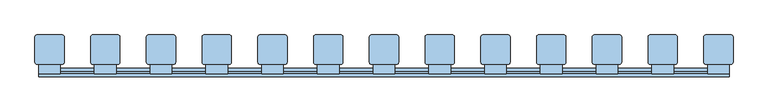
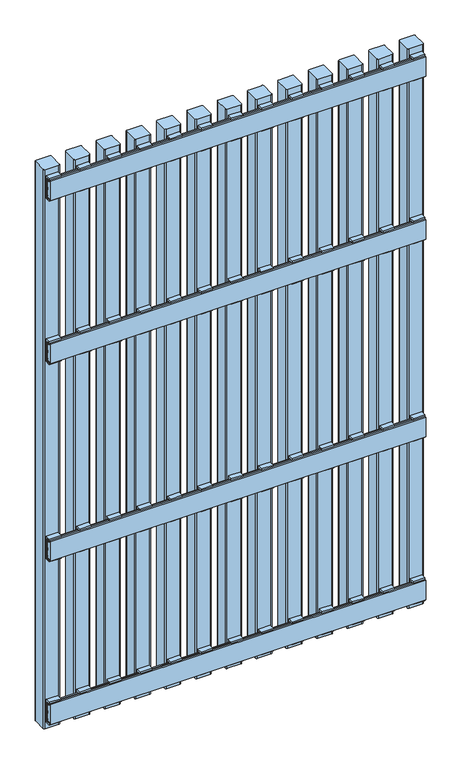
"""IFC4 building model written with IfcOpenShell, lengths in millimetres: window geometry."""

from ifc_helpers import new_model, si_unit, point, frame, frame_2d, origin, place, context, project, spatial, polyline, circle_curve, trimmed, segment, composite_curve, outline, extrude, source, transform, mapped, element, save


def window_e83e0a31(model_context):
    return source(origin(), model_context, "Body", "SweptSolid", [
        extrude(outline(polyline([(2.1, 1181.5936804), (-2.1, 1181.5936804), (-2.1, 1177.5936804), (-5.9, 1177.5936804), (-5.9, 1185.5), (8.0, 1185.5), (8.0, 1122.5), (-5.9, 1122.5), (-5.9, 1130.4063196), (-2.1, 1130.4063196), (-2.1, 1126.4063196), (2.1, 1126.4063196), (2.1, 1181.5936804)])), frame((384.5, 0.0, 0.0), z_axis=(1.0, 0.0, 0.0), x_axis=(0.0, 1.0, 0.0)), (0.0, 0.0, 1.0), 31.0),
        extrude(outline(polyline([(2.1, 631.5936804), (-2.1, 631.5936804), (-2.1, 627.5936804), (-5.9, 627.5936804), (-5.9, 635.5), (8.0, 635.5), (8.0, 572.5), (-5.9, 572.5), (-5.9, 580.4063196), (-2.1, 580.4063196), (-2.1, 576.4063196), (2.1, 576.4063196), (2.1, 631.5936804)])), frame((384.5, 0.0, 0.0), z_axis=(1.0, 0.0, 0.0), x_axis=(0.0, 1.0, 0.0)), (0.0, 0.0, 1.0), 31.0),
        extrude(outline(polyline([(2.1, 1580.9063196), (2.1, 1636.0936804), (-2.1, 1636.0936804), (-2.1, 1632.0936804), (-5.9, 1632.0936804), (-5.9, 1640.0), (8.0, 1640.0), (8.0, 1577.0), (-5.9, 1577.0), (-5.9, 1584.9063196), (-2.1, 1584.9063196), (-2.1, 1580.9063196), (2.1, 1580.9063196)])), frame((384.5, 0.0, 0.0), z_axis=(1.0, 0.0, 0.0), x_axis=(0.0, 1.0, 0.0)), (0.0, 0.0, 1.0), 31.0),
        extrude(outline(polyline([(2.1, 177.0936804), (-2.1, 177.0936804), (-2.1, 173.0936804), (-5.9, 173.0936804), (-5.9, 181.0), (8.0, 181.0), (8.0, 118.0), (-5.9, 118.0), (-5.9, 125.9063196), (-2.1, 125.9063196), (-2.1, 121.9063196), (2.1, 121.9063196), (2.1, 177.0936804)])), frame((384.5, 0.0, 0.0), z_axis=(1.0, 0.0, 0.0), x_axis=(0.0, 1.0, 0.0)), (0.0, 0.0, 1.0), 31.0),
        extrude(outline(polyline([(2.1, 1181.5936804), (-2.1, 1181.5936804), (-2.1, 1177.5936804), (-5.9, 1177.5936804), (-5.9, 1185.5), (8.0, 1185.5), (8.0, 1122.5), (-5.9, 1122.5), (-5.9, 1130.4063196), (-2.1, 1130.4063196), (-2.1, 1126.4063196), (2.1, 1126.4063196), (2.1, 1181.5936804)])), frame((304.5, 0.0, 0.0), z_axis=(1.0, 0.0, 0.0), x_axis=(0.0, 1.0, 0.0)), (0.0, 0.0, 1.0), 31.0),
        extrude(outline(polyline([(2.1, 631.5936804), (-2.1, 631.5936804), (-2.1, 627.5936804), (-5.9, 627.5936804), (-5.9, 635.5), (8.0, 635.5), (8.0, 572.5), (-5.9, 572.5), (-5.9, 580.4063196), (-2.1, 580.4063196), (-2.1, 576.4063196), (2.1, 576.4063196), (2.1, 631.5936804)])), frame((304.5, 0.0, 0.0), z_axis=(1.0, 0.0, 0.0), x_axis=(0.0, 1.0, 0.0)), (0.0, 0.0, 1.0), 31.0),
        extrude(outline(polyline([(2.1, 1580.9063196), (2.1, 1636.0936804), (-2.1, 1636.0936804), (-2.1, 1632.0936804), (-5.9, 1632.0936804), (-5.9, 1640.0), (8.0, 1640.0), (8.0, 1577.0), (-5.9, 1577.0), (-5.9, 1584.9063196), (-2.1, 1584.9063196), (-2.1, 1580.9063196), (2.1, 1580.9063196)])), frame((304.5, 0.0, 0.0), z_axis=(1.0, 0.0, 0.0), x_axis=(0.0, 1.0, 0.0)), (0.0, 0.0, 1.0), 31.0),
        extrude(outline(polyline([(2.1, 177.0936804), (-2.1, 177.0936804), (-2.1, 173.0936804), (-5.9, 173.0936804), (-5.9, 181.0), (8.0, 181.0), (8.0, 118.0), (-5.9, 118.0), (-5.9, 125.9063196), (-2.1, 125.9063196), (-2.1, 121.9063196), (2.1, 121.9063196), (2.1, 177.0936804)])), frame((304.5, 0.0, 0.0), z_axis=(1.0, 0.0, 0.0), x_axis=(0.0, 1.0, 0.0)), (0.0, 0.0, 1.0), 31.0),
        extrude(outline(polyline([(2.1, 1181.5936804), (-2.1, 1181.5936804), (-2.1, 1177.5936804), (-5.9, 1177.5936804), (-5.9, 1185.5), (8.0, 1185.5), (8.0, 1122.5), (-5.9, 1122.5), (-5.9, 1130.4063196), (-2.1, 1130.4063196), (-2.1, 1126.4063196), (2.1, 1126.4063196), (2.1, 1181.5936804)])), frame((224.5, 0.0, 0.0), z_axis=(1.0, 0.0, 0.0), x_axis=(0.0, 1.0, 0.0)), (0.0, 0.0, 1.0), 31.0),
        extrude(outline(polyline([(2.1, 631.5936804), (-2.1, 631.5936804), (-2.1, 627.5936804), (-5.9, 627.5936804), (-5.9, 635.5), (8.0, 635.5), (8.0, 572.5), (-5.9, 572.5), (-5.9, 580.4063196), (-2.1, 580.4063196), (-2.1, 576.4063196), (2.1, 576.4063196), (2.1, 631.5936804)])), frame((224.5, 0.0, 0.0), z_axis=(1.0, 0.0, 0.0), x_axis=(0.0, 1.0, 0.0)), (0.0, 0.0, 1.0), 31.0),
        extrude(outline(polyline([(2.1, 1580.9063196), (2.1, 1636.0936804), (-2.1, 1636.0936804), (-2.1, 1632.0936804), (-5.9, 1632.0936804), (-5.9, 1640.0), (8.0, 1640.0), (8.0, 1577.0), (-5.9, 1577.0), (-5.9, 1584.9063196), (-2.1, 1584.9063196), (-2.1, 1580.9063196), (2.1, 1580.9063196)])), frame((224.5, 0.0, 0.0), z_axis=(1.0, 0.0, 0.0), x_axis=(0.0, 1.0, 0.0)), (0.0, 0.0, 1.0), 31.0),
        extrude(outline(polyline([(2.1, 177.0936804), (-2.1, 177.0936804), (-2.1, 173.0936804), (-5.9, 173.0936804), (-5.9, 181.0), (8.0, 181.0), (8.0, 118.0), (-5.9, 118.0), (-5.9, 125.9063196), (-2.1, 125.9063196), (-2.1, 121.9063196), (2.1, 121.9063196), (2.1, 177.0936804)])), frame((224.5, 0.0, 0.0), z_axis=(1.0, 0.0, 0.0), x_axis=(0.0, 1.0, 0.0)), (0.0, 0.0, 1.0), 31.0),
        extrude(outline(polyline([(2.1, 1181.5936804), (-2.1, 1181.5936804), (-2.1, 1177.5936804), (-5.9, 1177.5936804), (-5.9, 1185.5), (8.0, 1185.5), (8.0, 1122.5), (-5.9, 1122.5), (-5.9, 1130.4063196), (-2.1, 1130.4063196), (-2.1, 1126.4063196), (2.1, 1126.4063196), (2.1, 1181.5936804)])), frame((144.5, 0.0, 0.0), z_axis=(1.0, 0.0, 0.0), x_axis=(0.0, 1.0, 0.0)), (0.0, 0.0, 1.0), 31.0),
        extrude(outline(polyline([(2.1, 631.5936804), (-2.1, 631.5936804), (-2.1, 627.5936804), (-5.9, 627.5936804), (-5.9, 635.5), (8.0, 635.5), (8.0, 572.5), (-5.9, 572.5), (-5.9, 580.4063196), (-2.1, 580.4063196), (-2.1, 576.4063196), (2.1, 576.4063196), (2.1, 631.5936804)])), frame((144.5, 0.0, 0.0), z_axis=(1.0, 0.0, 0.0), x_axis=(0.0, 1.0, 0.0)), (0.0, 0.0, 1.0), 31.0),
        extrude(outline(polyline([(2.1, 1580.9063196), (2.1, 1636.0936804), (-2.1, 1636.0936804), (-2.1, 1632.0936804), (-5.9, 1632.0936804), (-5.9, 1640.0), (8.0, 1640.0), (8.0, 1577.0), (-5.9, 1577.0), (-5.9, 1584.9063196), (-2.1, 1584.9063196), (-2.1, 1580.9063196), (2.1, 1580.9063196)])), frame((144.5, 0.0, 0.0), z_axis=(1.0, 0.0, 0.0), x_axis=(0.0, 1.0, 0.0)), (0.0, 0.0, 1.0), 31.0),
        extrude(outline(polyline([(2.1, 177.0936804), (-2.1, 177.0936804), (-2.1, 173.0936804), (-5.9, 173.0936804), (-5.9, 181.0), (8.0, 181.0), (8.0, 118.0), (-5.9, 118.0), (-5.9, 125.9063196), (-2.1, 125.9063196), (-2.1, 121.9063196), (2.1, 121.9063196), (2.1, 177.0936804)])), frame((144.5, 0.0, 0.0), z_axis=(1.0, 0.0, 0.0), x_axis=(0.0, 1.0, 0.0)), (0.0, 0.0, 1.0), 31.0),
        extrude(outline(polyline([(2.1, 1181.5936804), (-2.1, 1181.5936804), (-2.1, 1177.5936804), (-5.9, 1177.5936804), (-5.9, 1185.5), (8.0, 1185.5), (8.0, 1122.5), (-5.9, 1122.5), (-5.9, 1130.4063196), (-2.1, 1130.4063196), (-2.1, 1126.4063196), (2.1, 1126.4063196), (2.1, 1181.5936804)])), frame((64.5, 0.0, 0.0), z_axis=(1.0, 0.0, 0.0), x_axis=(0.0, 1.0, 0.0)), (0.0, 0.0, 1.0), 31.0),
        extrude(outline(polyline([(2.1, 631.5936804), (-2.1, 631.5936804), (-2.1, 627.5936804), (-5.9, 627.5936804), (-5.9, 635.5), (8.0, 635.5), (8.0, 572.5), (-5.9, 572.5), (-5.9, 580.4063196), (-2.1, 580.4063196), (-2.1, 576.4063196), (2.1, 576.4063196), (2.1, 631.5936804)])), frame((64.5, 0.0, 0.0), z_axis=(1.0, 0.0, 0.0), x_axis=(0.0, 1.0, 0.0)), (0.0, 0.0, 1.0), 31.0),
        extrude(outline(polyline([(2.1, 1580.9063196), (2.1, 1636.0936804), (-2.1, 1636.0936804), (-2.1, 1632.0936804), (-5.9, 1632.0936804), (-5.9, 1640.0), (8.0, 1640.0), (8.0, 1577.0), (-5.9, 1577.0), (-5.9, 1584.9063196), (-2.1, 1584.9063196), (-2.1, 1580.9063196), (2.1, 1580.9063196)])), frame((64.5, 0.0, 0.0), z_axis=(1.0, 0.0, 0.0), x_axis=(0.0, 1.0, 0.0)), (0.0, 0.0, 1.0), 31.0),
        extrude(outline(polyline([(2.1, 177.0936804), (-2.1, 177.0936804), (-2.1, 173.0936804), (-5.9, 173.0936804), (-5.9, 181.0), (8.0, 181.0), (8.0, 118.0), (-5.9, 118.0), (-5.9, 125.9063196), (-2.1, 125.9063196), (-2.1, 121.9063196), (2.1, 121.9063196), (2.1, 177.0936804)])), frame((64.5, 0.0, 0.0), z_axis=(1.0, 0.0, 0.0), x_axis=(0.0, 1.0, 0.0)), (0.0, 0.0, 1.0), 31.0),
        extrude(outline(polyline([(2.1, 1181.5936804), (-2.1, 1181.5936804), (-2.1, 1177.5936804), (-5.9, 1177.5936804), (-5.9, 1185.5), (8.0, 1185.5), (8.0, 1122.5), (-5.9, 1122.5), (-5.9, 1130.4063196), (-2.1, 1130.4063196), (-2.1, 1126.4063196), (2.1, 1126.4063196), (2.1, 1181.5936804)])), frame((-15.5, 0.0, 0.0), z_axis=(1.0, 0.0, 0.0), x_axis=(0.0, 1.0, 0.0)), (0.0, 0.0, 1.0), 31.0),
        extrude(outline(polyline([(2.1, 631.5936804), (-2.1, 631.5936804), (-2.1, 627.5936804), (-5.9, 627.5936804), (-5.9, 635.5), (8.0, 635.5), (8.0, 572.5), (-5.9, 572.5), (-5.9, 580.4063196), (-2.1, 580.4063196), (-2.1, 576.4063196), (2.1, 576.4063196), (2.1, 631.5936804)])), frame((-15.5, 0.0, 0.0), z_axis=(1.0, 0.0, 0.0), x_axis=(0.0, 1.0, 0.0)), (0.0, 0.0, 1.0), 31.0),
        extrude(outline(polyline([(2.1, 1580.9063196), (2.1, 1636.0936804), (-2.1, 1636.0936804), (-2.1, 1632.0936804), (-5.9, 1632.0936804), (-5.9, 1640.0), (8.0, 1640.0), (8.0, 1577.0), (-5.9, 1577.0), (-5.9, 1584.9063196), (-2.1, 1584.9063196), (-2.1, 1580.9063196), (2.1, 1580.9063196)])), frame((-15.5, 0.0, 0.0), z_axis=(1.0, 0.0, 0.0), x_axis=(0.0, 1.0, 0.0)), (0.0, 0.0, 1.0), 31.0),
        extrude(outline(polyline([(2.1, 177.0936804), (-2.1, 177.0936804), (-2.1, 173.0936804), (-5.9, 173.0936804), (-5.9, 181.0), (8.0, 181.0), (8.0, 118.0), (-5.9, 118.0), (-5.9, 125.9063196), (-2.1, 125.9063196), (-2.1, 121.9063196), (2.1, 121.9063196), (2.1, 177.0936804)])), frame((-15.5, 0.0, 0.0), z_axis=(1.0, 0.0, 0.0), x_axis=(0.0, 1.0, 0.0)), (0.0, 0.0, 1.0), 31.0),
        extrude(outline(polyline([(2.1, 1181.5936804), (-2.1, 1181.5936804), (-2.1, 1177.5936804), (-5.9, 1177.5936804), (-5.9, 1185.5), (8.0, 1185.5), (8.0, 1122.5), (-5.9, 1122.5), (-5.9, 1130.4063196), (-2.1, 1130.4063196), (-2.1, 1126.4063196), (2.1, 1126.4063196), (2.1, 1181.5936804)])), frame((-95.5, 0.0, 0.0), z_axis=(1.0, 0.0, 0.0), x_axis=(0.0, 1.0, 0.0)), (0.0, 0.0, 1.0), 31.0),
        extrude(outline(polyline([(2.1, 631.5936804), (-2.1, 631.5936804), (-2.1, 627.5936804), (-5.9, 627.5936804), (-5.9, 635.5), (8.0, 635.5), (8.0, 572.5), (-5.9, 572.5), (-5.9, 580.4063196), (-2.1, 580.4063196), (-2.1, 576.4063196), (2.1, 576.4063196), (2.1, 631.5936804)])), frame((-95.5, 0.0, 0.0), z_axis=(1.0, 0.0, 0.0), x_axis=(0.0, 1.0, 0.0)), (0.0, 0.0, 1.0), 31.0),
        extrude(outline(polyline([(2.1, 1580.9063196), (2.1, 1636.0936804), (-2.1, 1636.0936804), (-2.1, 1632.0936804), (-5.9, 1632.0936804), (-5.9, 1640.0), (8.0, 1640.0), (8.0, 1577.0), (-5.9, 1577.0), (-5.9, 1584.9063196), (-2.1, 1584.9063196), (-2.1, 1580.9063196), (2.1, 1580.9063196)])), frame((-95.5, 0.0, 0.0), z_axis=(1.0, 0.0, 0.0), x_axis=(0.0, 1.0, 0.0)), (0.0, 0.0, 1.0), 31.0),
        extrude(outline(polyline([(2.1, 177.0936804), (-2.1, 177.0936804), (-2.1, 173.0936804), (-5.9, 173.0936804), (-5.9, 181.0), (8.0, 181.0), (8.0, 118.0), (-5.9, 118.0), (-5.9, 125.9063196), (-2.1, 125.9063196), (-2.1, 121.9063196), (2.1, 121.9063196), (2.1, 177.0936804)])), frame((-95.5, 0.0, 0.0), z_axis=(1.0, 0.0, 0.0), x_axis=(0.0, 1.0, 0.0)), (0.0, 0.0, 1.0), 31.0),
        extrude(outline(polyline([(2.1, 1181.5936804), (-2.1, 1181.5936804), (-2.1, 1177.5936804), (-5.9, 1177.5936804), (-5.9, 1185.5), (8.0, 1185.5), (8.0, 1122.5), (-5.9, 1122.5), (-5.9, 1130.4063196), (-2.1, 1130.4063196), (-2.1, 1126.4063196), (2.1, 1126.4063196), (2.1, 1181.5936804)])), frame((-175.5, 0.0, 0.0), z_axis=(1.0, 0.0, 0.0), x_axis=(0.0, 1.0, 0.0)), (0.0, 0.0, 1.0), 31.0),
        extrude(outline(polyline([(2.1, 631.5936804), (-2.1, 631.5936804), (-2.1, 627.5936804), (-5.9, 627.5936804), (-5.9, 635.5), (8.0, 635.5), (8.0, 572.5), (-5.9, 572.5), (-5.9, 580.4063196), (-2.1, 580.4063196), (-2.1, 576.4063196), (2.1, 576.4063196), (2.1, 631.5936804)])), frame((-175.5, 0.0, 0.0), z_axis=(1.0, 0.0, 0.0), x_axis=(0.0, 1.0, 0.0)), (0.0, 0.0, 1.0), 31.0),
        extrude(outline(polyline([(2.1, 1580.9063196), (2.1, 1636.0936804), (-2.1, 1636.0936804), (-2.1, 1632.0936804), (-5.9, 1632.0936804), (-5.9, 1640.0), (8.0, 1640.0), (8.0, 1577.0), (-5.9, 1577.0), (-5.9, 1584.9063196), (-2.1, 1584.9063196), (-2.1, 1580.9063196), (2.1, 1580.9063196)])), frame((-175.5, 0.0, 0.0), z_axis=(1.0, 0.0, 0.0), x_axis=(0.0, 1.0, 0.0)), (0.0, 0.0, 1.0), 31.0),
        extrude(outline(polyline([(2.1, 177.0936804), (-2.1, 177.0936804), (-2.1, 173.0936804), (-5.9, 173.0936804), (-5.9, 181.0), (8.0, 181.0), (8.0, 118.0), (-5.9, 118.0), (-5.9, 125.9063196), (-2.1, 125.9063196), (-2.1, 121.9063196), (2.1, 121.9063196), (2.1, 177.0936804)])), frame((-175.5, 0.0, 0.0), z_axis=(1.0, 0.0, 0.0), x_axis=(0.0, 1.0, 0.0)), (0.0, 0.0, 1.0), 31.0),
        extrude(outline(polyline([(2.1, 1181.5936804), (-2.1, 1181.5936804), (-2.1, 1177.5936804), (-5.9, 1177.5936804), (-5.9, 1185.5), (8.0, 1185.5), (8.0, 1122.5), (-5.9, 1122.5), (-5.9, 1130.4063196), (-2.1, 1130.4063196), (-2.1, 1126.4063196), (2.1, 1126.4063196), (2.1, 1181.5936804)])), frame((-255.5, 0.0, 0.0), z_axis=(1.0, 0.0, 0.0), x_axis=(0.0, 1.0, 0.0)), (0.0, 0.0, 1.0), 31.0),
        extrude(outline(polyline([(2.1, 631.5936804), (-2.1, 631.5936804), (-2.1, 627.5936804), (-5.9, 627.5936804), (-5.9, 635.5), (8.0, 635.5), (8.0, 572.5), (-5.9, 572.5), (-5.9, 580.4063196), (-2.1, 580.4063196), (-2.1, 576.4063196), (2.1, 576.4063196), (2.1, 631.5936804)])), frame((-255.5, 0.0, 0.0), z_axis=(1.0, 0.0, 0.0), x_axis=(0.0, 1.0, 0.0)), (0.0, 0.0, 1.0), 31.0),
        extrude(outline(polyline([(2.1, 1580.9063196), (2.1, 1636.0936804), (-2.1, 1636.0936804), (-2.1, 1632.0936804), (-5.9, 1632.0936804), (-5.9, 1640.0), (8.0, 1640.0), (8.0, 1577.0), (-5.9, 1577.0), (-5.9, 1584.9063196), (-2.1, 1584.9063196), (-2.1, 1580.9063196), (2.1, 1580.9063196)])), frame((-255.5, 0.0, 0.0), z_axis=(1.0, 0.0, 0.0), x_axis=(0.0, 1.0, 0.0)), (0.0, 0.0, 1.0), 31.0),
        extrude(outline(polyline([(2.1, 177.0936804), (-2.1, 177.0936804), (-2.1, 173.0936804), (-5.9, 173.0936804), (-5.9, 181.0), (8.0, 181.0), (8.0, 118.0), (-5.9, 118.0), (-5.9, 125.9063196), (-2.1, 125.9063196), (-2.1, 121.9063196), (2.1, 121.9063196), (2.1, 177.0936804)])), frame((-255.5, 0.0, 0.0), z_axis=(1.0, 0.0, 0.0), x_axis=(0.0, 1.0, 0.0)), (0.0, 0.0, 1.0), 31.0),
        extrude(outline(polyline([(2.1, 1181.5936804), (-2.1, 1181.5936804), (-2.1, 1177.5936804), (-5.9, 1177.5936804), (-5.9, 1185.5), (8.0, 1185.5), (8.0, 1122.5), (-5.9, 1122.5), (-5.9, 1130.4063196), (-2.1, 1130.4063196), (-2.1, 1126.4063196), (2.1, 1126.4063196), (2.1, 1181.5936804)])), frame((-335.5, 0.0, 0.0), z_axis=(1.0, 0.0, 0.0), x_axis=(0.0, 1.0, 0.0)), (0.0, 0.0, 1.0), 31.0),
        extrude(outline(polyline([(2.1, 631.5936804), (-2.1, 631.5936804), (-2.1, 627.5936804), (-5.9, 627.5936804), (-5.9, 635.5), (8.0, 635.5), (8.0, 572.5), (-5.9, 572.5), (-5.9, 580.4063196), (-2.1, 580.4063196), (-2.1, 576.4063196), (2.1, 576.4063196), (2.1, 631.5936804)])), frame((-335.5, 0.0, 0.0), z_axis=(1.0, 0.0, 0.0), x_axis=(0.0, 1.0, 0.0)), (0.0, 0.0, 1.0), 31.0),
        extrude(outline(polyline([(2.1, 1580.9063196), (2.1, 1636.0936804), (-2.1, 1636.0936804), (-2.1, 1632.0936804), (-5.9, 1632.0936804), (-5.9, 1640.0), (8.0, 1640.0), (8.0, 1577.0), (-5.9, 1577.0), (-5.9, 1584.9063196), (-2.1, 1584.9063196), (-2.1, 1580.9063196), (2.1, 1580.9063196)])), frame((-335.5, 0.0, 0.0), z_axis=(1.0, 0.0, 0.0), x_axis=(0.0, 1.0, 0.0)), (0.0, 0.0, 1.0), 31.0),
        extrude(outline(polyline([(2.1, 177.0936804), (-2.1, 177.0936804), (-2.1, 173.0936804), (-5.9, 173.0936804), (-5.9, 181.0), (8.0, 181.0), (8.0, 118.0), (-5.9, 118.0), (-5.9, 125.9063196), (-2.1, 125.9063196), (-2.1, 121.9063196), (2.1, 121.9063196), (2.1, 177.0936804)])), frame((-335.5, 0.0, 0.0), z_axis=(1.0, 0.0, 0.0), x_axis=(0.0, 1.0, 0.0)), (0.0, 0.0, 1.0), 31.0),
        extrude(outline(polyline([(2.1, 1181.5936804), (-2.1, 1181.5936804), (-2.1, 1177.5936804), (-5.9, 1177.5936804), (-5.9, 1185.5), (8.0, 1185.5), (8.0, 1122.5), (-5.9, 1122.5), (-5.9, 1130.4063196), (-2.1, 1130.4063196), (-2.1, 1126.4063196), (2.1, 1126.4063196), (2.1, 1181.5936804)])), frame((-415.5, 0.0, 0.0), z_axis=(1.0, 0.0, 0.0), x_axis=(0.0, 1.0, 0.0)), (0.0, 0.0, 1.0), 31.0),
        extrude(outline(polyline([(2.1, 631.5936804), (-2.1, 631.5936804), (-2.1, 627.5936804), (-5.9, 627.5936804), (-5.9, 635.5), (8.0, 635.5), (8.0, 572.5), (-5.9, 572.5), (-5.9, 580.4063196), (-2.1, 580.4063196), (-2.1, 576.4063196), (2.1, 576.4063196), (2.1, 631.5936804)])), frame((-415.5, 0.0, 0.0), z_axis=(1.0, 0.0, 0.0), x_axis=(0.0, 1.0, 0.0)), (0.0, 0.0, 1.0), 31.0),
        extrude(outline(polyline([(2.1, 1580.9063196), (2.1, 1636.0936804), (-2.1, 1636.0936804), (-2.1, 1632.0936804), (-5.9, 1632.0936804), (-5.9, 1640.0), (8.0, 1640.0), (8.0, 1577.0), (-5.9, 1577.0), (-5.9, 1584.9063196), (-2.1, 1584.9063196), (-2.1, 1580.9063196), (2.1, 1580.9063196)])), frame((-415.5, 0.0, 0.0), z_axis=(1.0, 0.0, 0.0), x_axis=(0.0, 1.0, 0.0)), (0.0, 0.0, 1.0), 31.0),
        extrude(outline(polyline([(2.1, 177.0936804), (-2.1, 177.0936804), (-2.1, 173.0936804), (-5.9, 173.0936804), (-5.9, 181.0), (8.0, 181.0), (8.0, 118.0), (-5.9, 118.0), (-5.9, 125.9063196), (-2.1, 125.9063196), (-2.1, 121.9063196), (2.1, 121.9063196), (2.1, 177.0936804)])), frame((-415.5, 0.0, 0.0), z_axis=(1.0, 0.0, 0.0), x_axis=(0.0, 1.0, 0.0)), (0.0, 0.0, 1.0), 31.0),
        extrude(outline(polyline([(2.1, 1126.4063196), (2.1, 1181.5936804), (-2.1, 1181.5936804), (-2.1, 1177.5936804), (-5.9, 1177.5936804), (-5.9, 1185.5), (8.0, 1185.5), (8.0, 1122.5), (-5.9, 1122.5), (-5.9, 1130.4063196), (-2.1, 1130.4063196), (-2.1, 1126.4063196), (2.1, 1126.4063196)])), frame((464.5, 0.0, 0.0), z_axis=(1.0, 0.0, 0.0), x_axis=(0.0, 1.0, 0.0)), (0.0, 0.0, 1.0), 31.0),
        extrude(outline(polyline([(2.1, 576.4063196), (2.1, 631.5936804), (-2.1, 631.5936804), (-2.1, 627.5936804), (-5.9, 627.5936804), (-5.9, 635.5), (8.0, 635.5), (8.0, 572.5), (-5.9, 572.5), (-5.9, 580.4063196), (-2.1, 580.4063196), (-2.1, 576.4063196), (2.1, 576.4063196)])), frame((464.5, 0.0, 0.0), z_axis=(1.0, 0.0, 0.0), x_axis=(0.0, 1.0, 0.0)), (0.0, 0.0, 1.0), 31.0),
        extrude(outline(polyline([(2.1, 1580.9063196), (2.1, 1636.0936804), (-2.1, 1636.0936804), (-2.1, 1632.0936804), (-5.9, 1632.0936804), (-5.9, 1640.0), (8.0, 1640.0), (8.0, 1577.0), (-5.9, 1577.0), (-5.9, 1584.9063196), (-2.1, 1584.9063196), (-2.1, 1580.9063196), (2.1, 1580.9063196)])), frame((464.5, 0.0, 0.0), z_axis=(1.0, 0.0, 0.0), x_axis=(0.0, 1.0, 0.0)), (0.0, 0.0, 1.0), 31.0),
        extrude(outline(polyline([(2.1, 177.0936804), (-2.1, 177.0936804), (-2.1, 173.0936804), (-5.9, 173.0936804), (-5.9, 181.0), (8.0, 181.0), (8.0, 118.0), (-5.9, 118.0), (-5.9, 125.9063196), (-2.1, 125.9063196), (-2.1, 121.9063196), (2.1, 121.9063196), (2.1, 177.0936804)])), frame((464.5, 0.0, 0.0), z_axis=(1.0, 0.0, 0.0), x_axis=(0.0, 1.0, 0.0)), (0.0, 0.0, 1.0), 31.0),
        extrude(outline(polyline([(2.1, 1126.4063196), (2.1, 1181.5936804), (-2.1, 1181.5936804), (-2.1, 1177.5936804), (-5.9, 1177.5936804), (-5.9, 1185.5), (8.0, 1185.5), (8.0, 1122.5), (-5.9, 1122.5), (-5.9, 1130.4063196), (-2.1, 1130.4063196), (-2.1, 1126.4063196), (2.1, 1126.4063196)])), frame((-495.5, 0.0, 0.0), z_axis=(1.0, 0.0, 0.0), x_axis=(0.0, 1.0, 0.0)), (0.0, 0.0, 1.0), 31.0),
        extrude(outline(polyline([(2.1, 576.4063196), (2.1, 631.5936804), (-2.1, 631.5936804), (-2.1, 627.5936804), (-5.9, 627.5936804), (-5.9, 635.5), (8.0, 635.5), (8.0, 572.5), (-5.9, 572.5), (-5.9, 580.4063196), (-2.1, 580.4063196), (-2.1, 576.4063196), (2.1, 576.4063196)])), frame((-495.5, 0.0, 0.0), z_axis=(1.0, 0.0, 0.0), x_axis=(0.0, 1.0, 0.0)), (0.0, 0.0, 1.0), 31.0),
        extrude(outline(polyline([(2.1, 1580.9063196), (2.1, 1636.0936804), (-2.1, 1636.0936804), (-2.1, 1632.0936804), (-5.9, 1632.0936804), (-5.9, 1640.0), (8.0, 1640.0), (8.0, 1577.0), (-5.9, 1577.0), (-5.9, 1584.9063196), (-2.1, 1584.9063196), (-2.1, 1580.9063196), (2.1, 1580.9063196)])), frame((-495.5, 0.0, 0.0), z_axis=(1.0, 0.0, 0.0), x_axis=(0.0, 1.0, 0.0)), (0.0, 0.0, 1.0), 31.0),
        extrude(outline(polyline([(2.1, 177.0936804), (-2.1, 177.0936804), (-2.1, 173.0936804), (-5.9, 173.0936804), (-5.9, 181.0), (8.0, 181.0), (8.0, 118.0), (-5.9, 118.0), (-5.9, 125.9063196), (-2.1, 125.9063196), (-2.1, 121.9063196), (2.1, 121.9063196), (2.1, 177.0936804)])), frame((-495.5, 0.0, 0.0), z_axis=(1.0, 0.0, 0.0), x_axis=(0.0, 1.0, 0.0)), (0.0, 0.0, 1.0), 31.0),
        extrude(outline(polyline([(-10.0, 1181.5063196), (-6.0, 1181.5063196), (-6.0, 1177.5063196), (-2.0, 1177.5063196), (-2.0, 1181.5063196), (2.0, 1181.5063196), (2.0, 1176.5063196), (-1.0, 1176.5063196), (-1.0, 1171.5063196), (2.0, 1171.5063196), (2.0, 1159.0063196), (-1.0, 1159.0063196), (-1.0, 1149.0063196), (2.0, 1149.0063196), (2.0, 1136.5063196), (-1.0, 1136.5063196), (-1.0, 1131.5063196), (2.0, 1131.5063196), (2.0, 1126.5063196), (-2.0, 1126.5063196), (-2.0, 1130.5063196), (-6.0, 1130.5063196), (-6.0, 1126.5063196), (-10.0, 1126.5063196), (-10.0, 1181.5063196)])), frame((-495.5, 0.0, 0.0), z_axis=(1.0, 0.0, 0.0), x_axis=(0.0, 1.0, 0.0)), (0.0, 0.0, 1.0), 991.0),
        extrude(outline(polyline([(-10.0, 631.5063196), (-6.0, 631.5063196), (-6.0, 627.5063196), (-2.0, 627.5063196), (-2.0, 631.5063196), (2.0, 631.5063196), (2.0, 626.5063196), (-1.0, 626.5063196), (-1.0, 621.5063196), (2.0, 621.5063196), (2.0, 609.0063196), (-1.0, 609.0063196), (-1.0, 599.0063196), (2.0, 599.0063196), (2.0, 586.5063196), (-1.0, 586.5063196), (-1.0, 581.5063196), (2.0, 581.5063196), (2.0, 576.5063196), (-2.0, 576.5063196), (-2.0, 580.5063196), (-6.0, 580.5063196), (-6.0, 576.5063196), (-10.0, 576.5063196), (-10.0, 631.5063196)])), frame((-495.5, 0.0, 0.0), z_axis=(1.0, 0.0, 0.0), x_axis=(0.0, 1.0, 0.0)), (0.0, 0.0, 1.0), 991.0),
        extrude(outline(polyline([(-10.0, 1636.0), (-6.0, 1636.0), (-6.0, 1632.0), (-2.0, 1632.0), (-2.0, 1636.0), (2.0, 1636.0), (2.0, 1631.0), (-1.0, 1631.0), (-1.0, 1626.0), (2.0, 1626.0), (2.0, 1613.5), (-1.0, 1613.5), (-1.0, 1603.5), (2.0, 1603.5), (2.0, 1591.0), (-1.0, 1591.0), (-1.0, 1586.0), (2.0, 1586.0), (2.0, 1581.0), (-2.0, 1581.0), (-2.0, 1585.0), (-6.0, 1585.0), (-6.0, 1581.0), (-10.0, 1581.0), (-10.0, 1636.0)])), frame((-495.5, 0.0, 0.0), z_axis=(1.0, 0.0, 0.0), x_axis=(0.0, 1.0, 0.0)), (0.0, 0.0, 1.0), 991.0),
        extrude(outline(polyline([(-10.0, 177.0), (-6.0, 177.0), (-6.0, 173.0), (-2.0, 173.0), (-2.0, 177.0), (2.0, 177.0), (2.0, 172.0), (-1.0, 172.0), (-1.0, 167.0), (2.0, 167.0), (2.0, 154.5), (-1.0, 154.5), (-1.0, 144.5), (2.0, 144.5), (2.0, 132.0), (-1.0, 132.0), (-1.0, 127.0), (2.0, 127.0), (2.0, 122.0), (-2.0, 122.0), (-2.0, 126.0), (-6.0, 126.0), (-6.0, 122.0), (-10.0, 122.0), (-10.0, 177.0)])), frame((-495.5, 0.0, 0.0), z_axis=(1.0, 0.0, 0.0), x_axis=(0.0, 1.0, 0.0)), (0.0, 0.0, 1.0), 991.0),
        extrude(outline(composite_curve([segment(polyline([(500.995806, 47.0), (500.995806, 11.0)]), True, "CONTINUOUS"), segment(trimmed(circle_curve(frame_2d((497.995806, 11.0)), 3.0), [point((500.995806, 11.0))], [point((497.995806, 8.0))], False, "CARTESIAN"), True, "CONTINUOUS"), segment(polyline([(497.995806, 8.0), (461.995806, 8.0)]), True, "CONTINUOUS"), segment(trimmed(circle_curve(frame_2d((461.995806, 11.0)), 3.0), [point((461.995806, 8.0))], [point((458.995806, 11.0))], False, "CARTESIAN"), True, "CONTINUOUS"), segment(polyline([(458.995806, 11.0), (458.995806, 47.0)]), True, "CONTINUOUS"), segment(trimmed(circle_curve(frame_2d((461.995806, 47.0)), 3.0), [point((458.995806, 47.0))], [point((461.995806, 50.0))], False, "CARTESIAN"), True, "CONTINUOUS"), segment(polyline([(461.995806, 50.0), (497.995806, 50.0)]), True, "CONTINUOUS"), segment(trimmed(circle_curve(frame_2d((497.995806, 47.0)), 3.0), [point((497.995806, 50.0))], [point((500.995806, 47.0))], False, "CARTESIAN"), True, "CONTINUOUS")], self_intersect=False)), frame((0.0, 0.0, 100.0), z_axis=(0.0, 0.0, 1.0), x_axis=(1.0, 0.0, 0.0)), (0.0, 0.0, 1.0), 1558.0),
        extrude(outline(composite_curve([segment(polyline([(420.995806, 47.0), (420.995806, 11.0)]), True, "CONTINUOUS"), segment(trimmed(circle_curve(frame_2d((417.995806, 11.0)), 3.0), [point((420.995806, 11.0))], [point((417.995806, 8.0))], False, "CARTESIAN"), True, "CONTINUOUS"), segment(polyline([(417.995806, 8.0), (381.995806, 8.0)]), True, "CONTINUOUS"), segment(trimmed(circle_curve(frame_2d((381.995806, 11.0)), 3.0), [point((381.995806, 8.0))], [point((378.995806, 11.0))], False, "CARTESIAN"), True, "CONTINUOUS"), segment(polyline([(378.995806, 11.0), (378.995806, 47.0)]), True, "CONTINUOUS"), segment(trimmed(circle_curve(frame_2d((381.995806, 47.0)), 3.0), [point((378.995806, 47.0))], [point((381.995806, 50.0))], False, "CARTESIAN"), True, "CONTINUOUS"), segment(polyline([(381.995806, 50.0), (417.995806, 50.0)]), True, "CONTINUOUS"), segment(trimmed(circle_curve(frame_2d((417.995806, 47.0)), 3.0), [point((417.995806, 50.0))], [point((420.995806, 47.0))], False, "CARTESIAN"), True, "CONTINUOUS")], self_intersect=False)), frame((0.0, 0.0, 100.0), z_axis=(0.0, 0.0, 1.0), x_axis=(1.0, 0.0, 0.0)), (0.0, 0.0, 1.0), 1558.0),
        extrude(outline(composite_curve([segment(polyline([(340.995806, 47.0), (340.995806, 11.0)]), True, "CONTINUOUS"), segment(trimmed(circle_curve(frame_2d((337.995806, 11.0)), 3.0), [point((340.995806, 11.0))], [point((337.995806, 8.0))], False, "CARTESIAN"), True, "CONTINUOUS"), segment(polyline([(337.995806, 8.0), (301.995806, 8.0)]), True, "CONTINUOUS"), segment(trimmed(circle_curve(frame_2d((301.995806, 11.0)), 3.0), [point((301.995806, 8.0))], [point((298.995806, 11.0))], False, "CARTESIAN"), True, "CONTINUOUS"), segment(polyline([(298.995806, 11.0), (298.995806, 47.0)]), True, "CONTINUOUS"), segment(trimmed(circle_curve(frame_2d((301.995806, 47.0)), 3.0), [point((298.995806, 47.0))], [point((301.995806, 50.0))], False, "CARTESIAN"), True, "CONTINUOUS"), segment(polyline([(301.995806, 50.0), (337.995806, 50.0)]), True, "CONTINUOUS"), segment(trimmed(circle_curve(frame_2d((337.995806, 47.0)), 3.0), [point((337.995806, 50.0))], [point((340.995806, 47.0))], False, "CARTESIAN"), True, "CONTINUOUS")], self_intersect=False)), frame((0.0, 0.0, 100.0), z_axis=(0.0, 0.0, 1.0), x_axis=(1.0, 0.0, 0.0)), (0.0, 0.0, 1.0), 1558.0),
        extrude(outline(composite_curve([segment(polyline([(260.995806, 47.0), (260.995806, 11.0)]), True, "CONTINUOUS"), segment(trimmed(circle_curve(frame_2d((257.995806, 11.0)), 3.0), [point((260.995806, 11.0))], [point((257.995806, 8.0))], False, "CARTESIAN"), True, "CONTINUOUS"), segment(polyline([(257.995806, 8.0), (221.995806, 8.0)]), True, "CONTINUOUS"), segment(trimmed(circle_curve(frame_2d((221.995806, 11.0)), 3.0), [point((221.995806, 8.0))], [point((218.995806, 11.0))], False, "CARTESIAN"), True, "CONTINUOUS"), segment(polyline([(218.995806, 11.0), (218.995806, 47.0)]), True, "CONTINUOUS"), segment(trimmed(circle_curve(frame_2d((221.995806, 47.0)), 3.0), [point((218.995806, 47.0))], [point((221.995806, 50.0))], False, "CARTESIAN"), True, "CONTINUOUS"), segment(polyline([(221.995806, 50.0), (257.995806, 50.0)]), True, "CONTINUOUS"), segment(trimmed(circle_curve(frame_2d((257.995806, 47.0)), 3.0), [point((257.995806, 50.0))], [point((260.995806, 47.0))], False, "CARTESIAN"), True, "CONTINUOUS")], self_intersect=False)), frame((0.0, 0.0, 100.0), z_axis=(0.0, 0.0, 1.0), x_axis=(1.0, 0.0, 0.0)), (0.0, 0.0, 1.0), 1558.0),
        extrude(outline(composite_curve([segment(polyline([(180.995806, 47.0), (180.995806, 11.0)]), True, "CONTINUOUS"), segment(trimmed(circle_curve(frame_2d((177.995806, 11.0)), 3.0), [point((180.995806, 11.0))], [point((177.995806, 8.0))], False, "CARTESIAN"), True, "CONTINUOUS"), segment(polyline([(177.995806, 8.0), (141.995806, 8.0)]), True, "CONTINUOUS"), segment(trimmed(circle_curve(frame_2d((141.995806, 11.0)), 3.0), [point((141.995806, 8.0))], [point((138.995806, 11.0))], False, "CARTESIAN"), True, "CONTINUOUS"), segment(polyline([(138.995806, 11.0), (138.995806, 47.0)]), True, "CONTINUOUS"), segment(trimmed(circle_curve(frame_2d((141.995806, 47.0)), 3.0), [point((138.995806, 47.0))], [point((141.995806, 50.0))], False, "CARTESIAN"), True, "CONTINUOUS"), segment(polyline([(141.995806, 50.0), (177.995806, 50.0)]), True, "CONTINUOUS"), segment(trimmed(circle_curve(frame_2d((177.995806, 47.0)), 3.0), [point((177.995806, 50.0))], [point((180.995806, 47.0))], False, "CARTESIAN"), True, "CONTINUOUS")], self_intersect=False)), frame((0.0, 0.0, 100.0), z_axis=(0.0, 0.0, 1.0), x_axis=(1.0, 0.0, 0.0)), (0.0, 0.0, 1.0), 1558.0),
        extrude(outline(composite_curve([segment(polyline([(100.995806, 47.0), (100.995806, 11.0)]), True, "CONTINUOUS"), segment(trimmed(circle_curve(frame_2d((97.995806, 11.0)), 3.0), [point((100.995806, 11.0))], [point((97.995806, 8.0))], False, "CARTESIAN"), True, "CONTINUOUS"), segment(polyline([(97.995806, 8.0), (61.995806, 8.0)]), True, "CONTINUOUS"), segment(trimmed(circle_curve(frame_2d((61.995806, 11.0)), 3.0), [point((61.995806, 8.0))], [point((58.995806, 11.0))], False, "CARTESIAN"), True, "CONTINUOUS"), segment(polyline([(58.995806, 11.0), (58.995806, 47.0)]), True, "CONTINUOUS"), segment(trimmed(circle_curve(frame_2d((61.995806, 47.0)), 3.0), [point((58.995806, 47.0))], [point((61.995806, 50.0))], False, "CARTESIAN"), True, "CONTINUOUS"), segment(polyline([(61.995806, 50.0), (97.995806, 50.0)]), True, "CONTINUOUS"), segment(trimmed(circle_curve(frame_2d((97.995806, 47.0)), 3.0), [point((97.995806, 50.0))], [point((100.995806, 47.0))], False, "CARTESIAN"), True, "CONTINUOUS")], self_intersect=False)), frame((0.0, 0.0, 100.0), z_axis=(0.0, 0.0, 1.0), x_axis=(1.0, 0.0, 0.0)), (0.0, 0.0, 1.0), 1558.0),
        extrude(outline(composite_curve([segment(polyline([(20.995806, 47.0), (20.995806, 11.0)]), True, "CONTINUOUS"), segment(trimmed(circle_curve(frame_2d((17.995806, 11.0)), 3.0), [point((20.995806, 11.0))], [point((17.995806, 8.0))], False, "CARTESIAN"), True, "CONTINUOUS"), segment(polyline([(17.995806, 8.0), (-18.004194, 8.0)]), True, "CONTINUOUS"), segment(trimmed(circle_curve(frame_2d((-18.004194, 11.0)), 3.0), [point((-18.004194, 8.0))], [point((-21.004194, 11.0))], False, "CARTESIAN"), True, "CONTINUOUS"), segment(polyline([(-21.004194, 11.0), (-21.004194, 47.0)]), True, "CONTINUOUS"), segment(trimmed(circle_curve(frame_2d((-18.004194, 47.0)), 3.0), [point((-21.004194, 47.0))], [point((-18.004194, 50.0))], False, "CARTESIAN"), True, "CONTINUOUS"), segment(polyline([(-18.004194, 50.0), (17.995806, 50.0)]), True, "CONTINUOUS"), segment(trimmed(circle_curve(frame_2d((17.995806, 47.0)), 3.0), [point((17.995806, 50.0))], [point((20.995806, 47.0))], False, "CARTESIAN"), True, "CONTINUOUS")], self_intersect=False)), frame((0.0, 0.0, 100.0), z_axis=(0.0, 0.0, 1.0), x_axis=(1.0, 0.0, 0.0)), (0.0, 0.0, 1.0), 1558.0),
        extrude(outline(composite_curve([segment(polyline([(-59.004194, 47.0), (-59.004194, 11.0)]), True, "CONTINUOUS"), segment(trimmed(circle_curve(frame_2d((-62.004194, 11.0)), 3.0), [point((-59.004194, 11.0))], [point((-62.004194, 8.0))], False, "CARTESIAN"), True, "CONTINUOUS"), segment(polyline([(-62.004194, 8.0), (-98.004194, 8.0)]), True, "CONTINUOUS"), segment(trimmed(circle_curve(frame_2d((-98.004194, 11.0)), 3.0), [point((-98.004194, 8.0))], [point((-101.004194, 11.0))], False, "CARTESIAN"), True, "CONTINUOUS"), segment(polyline([(-101.004194, 11.0), (-101.004194, 47.0)]), True, "CONTINUOUS"), segment(trimmed(circle_curve(frame_2d((-98.004194, 47.0)), 3.0), [point((-101.004194, 47.0))], [point((-98.004194, 50.0))], False, "CARTESIAN"), True, "CONTINUOUS"), segment(polyline([(-98.004194, 50.0), (-62.004194, 50.0)]), True, "CONTINUOUS"), segment(trimmed(circle_curve(frame_2d((-62.004194, 47.0)), 3.0), [point((-62.004194, 50.0))], [point((-59.004194, 47.0))], False, "CARTESIAN"), True, "CONTINUOUS")], self_intersect=False)), frame((0.0, 0.0, 100.0), z_axis=(0.0, 0.0, 1.0), x_axis=(1.0, 0.0, 0.0)), (0.0, 0.0, 1.0), 1558.0),
        extrude(outline(composite_curve([segment(polyline([(-139.004194, 47.0), (-139.004194, 11.0)]), True, "CONTINUOUS"), segment(trimmed(circle_curve(frame_2d((-142.004194, 11.0)), 3.0), [point((-139.004194, 11.0))], [point((-142.004194, 8.0))], False, "CARTESIAN"), True, "CONTINUOUS"), segment(polyline([(-142.004194, 8.0), (-178.004194, 8.0)]), True, "CONTINUOUS"), segment(trimmed(circle_curve(frame_2d((-178.004194, 11.0)), 3.0), [point((-178.004194, 8.0))], [point((-181.004194, 11.0))], False, "CARTESIAN"), True, "CONTINUOUS"), segment(polyline([(-181.004194, 11.0), (-181.004194, 47.0)]), True, "CONTINUOUS"), segment(trimmed(circle_curve(frame_2d((-178.004194, 47.0)), 3.0), [point((-181.004194, 47.0))], [point((-178.004194, 50.0))], False, "CARTESIAN"), True, "CONTINUOUS"), segment(polyline([(-178.004194, 50.0), (-142.004194, 50.0)]), True, "CONTINUOUS"), segment(trimmed(circle_curve(frame_2d((-142.004194, 47.0)), 3.0), [point((-142.004194, 50.0))], [point((-139.004194, 47.0))], False, "CARTESIAN"), True, "CONTINUOUS")], self_intersect=False)), frame((0.0, 0.0, 100.0), z_axis=(0.0, 0.0, 1.0), x_axis=(1.0, 0.0, 0.0)), (0.0, 0.0, 1.0), 1558.0),
        extrude(outline(composite_curve([segment(polyline([(-219.004194, 47.0), (-219.004194, 11.0)]), True, "CONTINUOUS"), segment(trimmed(circle_curve(frame_2d((-222.004194, 11.0)), 3.0), [point((-219.004194, 11.0))], [point((-222.004194, 8.0))], False, "CARTESIAN"), True, "CONTINUOUS"), segment(polyline([(-222.004194, 8.0), (-258.004194, 8.0)]), True, "CONTINUOUS"), segment(trimmed(circle_curve(frame_2d((-258.004194, 11.0)), 3.0), [point((-258.004194, 8.0))], [point((-261.004194, 11.0))], False, "CARTESIAN"), True, "CONTINUOUS"), segment(polyline([(-261.004194, 11.0), (-261.004194, 47.0)]), True, "CONTINUOUS"), segment(trimmed(circle_curve(frame_2d((-258.004194, 47.0)), 3.0), [point((-261.004194, 47.0))], [point((-258.004194, 50.0))], False, "CARTESIAN"), True, "CONTINUOUS"), segment(polyline([(-258.004194, 50.0), (-222.004194, 50.0)]), True, "CONTINUOUS"), segment(trimmed(circle_curve(frame_2d((-222.004194, 47.0)), 3.0), [point((-222.004194, 50.0))], [point((-219.004194, 47.0))], False, "CARTESIAN"), True, "CONTINUOUS")], self_intersect=False)), frame((0.0, 0.0, 100.0), z_axis=(0.0, 0.0, 1.0), x_axis=(1.0, 0.0, 0.0)), (0.0, 0.0, 1.0), 1558.0),
        extrude(outline(composite_curve([segment(polyline([(-299.004194, 47.0), (-299.004194, 11.0)]), True, "CONTINUOUS"), segment(trimmed(circle_curve(frame_2d((-302.004194, 11.0)), 3.0), [point((-299.004194, 11.0))], [point((-302.004194, 8.0))], False, "CARTESIAN"), True, "CONTINUOUS"), segment(polyline([(-302.004194, 8.0), (-338.004194, 8.0)]), True, "CONTINUOUS"), segment(trimmed(circle_curve(frame_2d((-338.004194, 11.0)), 3.0), [point((-338.004194, 8.0))], [point((-341.004194, 11.0))], False, "CARTESIAN"), True, "CONTINUOUS"), segment(polyline([(-341.004194, 11.0), (-341.004194, 47.0)]), True, "CONTINUOUS"), segment(trimmed(circle_curve(frame_2d((-338.004194, 47.0)), 3.0), [point((-341.004194, 47.0))], [point((-338.004194, 50.0))], False, "CARTESIAN"), True, "CONTINUOUS"), segment(polyline([(-338.004194, 50.0), (-302.004194, 50.0)]), True, "CONTINUOUS"), segment(trimmed(circle_curve(frame_2d((-302.004194, 47.0)), 3.0), [point((-302.004194, 50.0))], [point((-299.004194, 47.0))], False, "CARTESIAN"), True, "CONTINUOUS")], self_intersect=False)), frame((0.0, 0.0, 100.0), z_axis=(0.0, 0.0, 1.0), x_axis=(1.0, 0.0, 0.0)), (0.0, 0.0, 1.0), 1558.0),
        extrude(outline(composite_curve([segment(polyline([(-379.004194, 47.0), (-379.004194, 11.0)]), True, "CONTINUOUS"), segment(trimmed(circle_curve(frame_2d((-382.004194, 11.0)), 3.0), [point((-379.004194, 11.0))], [point((-382.004194, 8.0))], False, "CARTESIAN"), True, "CONTINUOUS"), segment(polyline([(-382.004194, 8.0), (-418.004194, 8.0)]), True, "CONTINUOUS"), segment(trimmed(circle_curve(frame_2d((-418.004194, 11.0)), 3.0), [point((-418.004194, 8.0))], [point((-421.004194, 11.0))], False, "CARTESIAN"), True, "CONTINUOUS"), segment(polyline([(-421.004194, 11.0), (-421.004194, 47.0)]), True, "CONTINUOUS"), segment(trimmed(circle_curve(frame_2d((-418.004194, 47.0)), 3.0), [point((-421.004194, 47.0))], [point((-418.004194, 50.0))], False, "CARTESIAN"), True, "CONTINUOUS"), segment(polyline([(-418.004194, 50.0), (-382.004194, 50.0)]), True, "CONTINUOUS"), segment(trimmed(circle_curve(frame_2d((-382.004194, 47.0)), 3.0), [point((-382.004194, 50.0))], [point((-379.004194, 47.0))], False, "CARTESIAN"), True, "CONTINUOUS")], self_intersect=False)), frame((0.0, 0.0, 100.0), z_axis=(0.0, 0.0, 1.0), x_axis=(1.0, 0.0, 0.0)), (0.0, 0.0, 1.0), 1558.0),
        extrude(outline(composite_curve([segment(polyline([(-459.0, 47.0), (-459.0, 11.0)]), True, "CONTINUOUS"), segment(trimmed(circle_curve(frame_2d((-462.0, 11.0)), 3.0), [point((-459.0, 11.0))], [point((-462.0, 8.0))], False, "CARTESIAN"), True, "CONTINUOUS"), segment(polyline([(-462.0, 8.0), (-498.0, 8.0)]), True, "CONTINUOUS"), segment(trimmed(circle_curve(frame_2d((-498.0, 11.0)), 3.0), [point((-498.0, 8.0))], [point((-501.0, 11.0))], False, "CARTESIAN"), True, "CONTINUOUS"), segment(polyline([(-501.0, 11.0), (-501.0, 47.0)]), True, "CONTINUOUS"), segment(trimmed(circle_curve(frame_2d((-498.0, 47.0)), 3.0), [point((-501.0, 47.0))], [point((-498.0, 50.0))], False, "CARTESIAN"), True, "CONTINUOUS"), segment(polyline([(-498.0, 50.0), (-462.0, 50.0)]), True, "CONTINUOUS"), segment(trimmed(circle_curve(frame_2d((-462.0, 47.0)), 3.0), [point((-462.0, 50.0))], [point((-459.0, 47.0))], False, "CARTESIAN"), True, "CONTINUOUS")], self_intersect=False)), frame((0.0, 0.0, 100.0), z_axis=(0.0, 0.0, 1.0), x_axis=(1.0, 0.0, 0.0)), (0.0, 0.0, 1.0), 1558.0),
    ])


if __name__ == "__main__":
    model = new_model("IFC4")
    model_context = context("Model", 3, world=origin())
    ifc_project = project(units=[si_unit("LENGTHUNIT", "METRE", prefix="MILLI")], contexts=[model_context])
    site = spatial("IfcSite", under=ifc_project)
    building = spatial("IfcBuilding", under=site)
    placement = place(None, origin())
    window_shape = window_e83e0a31(model_context)
    element("IfcWindow", 1, at=placement, inside=building, context=model_context, shape_type="MappedRepresentation", body=[
        mapped(window_shape, transform((0.0, 0.0, 0.0), x_axis=(1.0, 0.0, 0.0), y_axis=(0.0, 1.0, 0.0), z_axis=(0.0, 0.0, 1.0))),
    ])
    save(model, "model.ifc")
